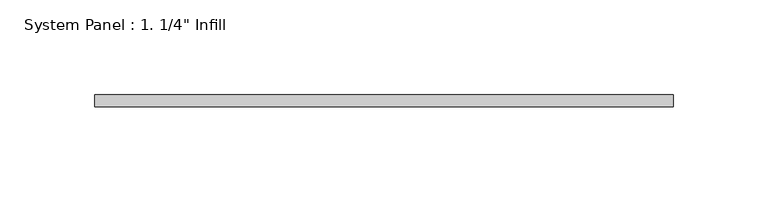
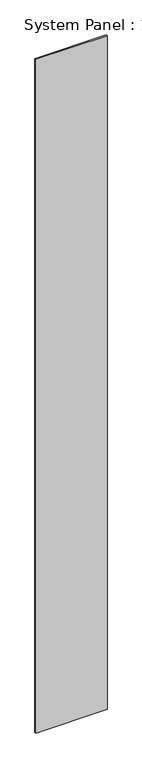
"""IFC4 building model written with IfcOpenShell, lengths in millimetres: plate geometry."""

from ifc_helpers import new_model, si_unit, origin, origin_with_axes, place, context, project, spatial, polyline, outline, extrude, source, transform, mapped, element, save


def plate_2ba60b50(model_context):
    return source(origin(), model_context, "Body", "SweptSolid", [
        extrude(outline(polyline([(152.4871572, 0.0), (-152.4871572, 0.0), (-152.4871572, 6.35), (152.4871572, 6.35), (152.4871572, 0.0)])), origin_with_axes(), (0.0, 0.0, 1.0), 3048.0),
    ])


if __name__ == "__main__":
    model = new_model("IFC4")
    model_context = context("Model", 3, world=origin())
    ifc_project = project(units=[si_unit("LENGTHUNIT", "METRE", prefix="MILLI")], contexts=[model_context])
    site = spatial("IfcSite", under=ifc_project)
    building = spatial("IfcBuilding", under=site)
    placement = place(None, origin())
    plate_shape = plate_2ba60b50(model_context)
    element("IfcPlate", 1, ObjectType="System Panel : 1. 1/4\" Infill", at=placement, inside=building, context=model_context, shape_type="MappedRepresentation", body=[
        mapped(plate_shape, transform((0.0, 0.0, 0.0), x_axis=(1.0, 0.0, 0.0), y_axis=(0.0, 1.0, 0.0), z_axis=(0.0, 0.0, 1.0))),
    ])
    save(model, "model.ifc")
